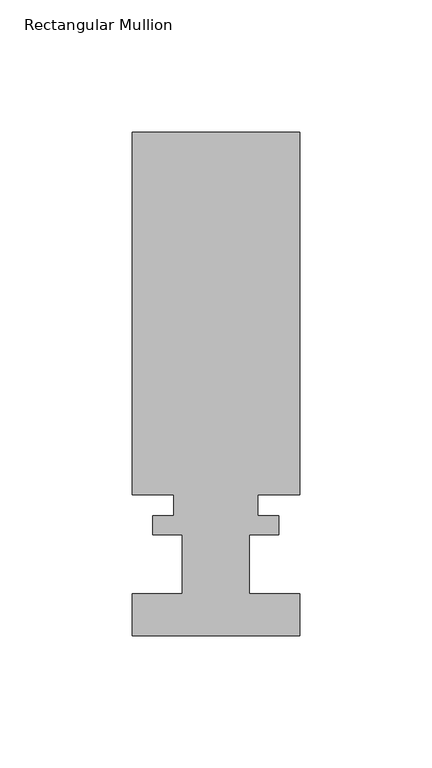
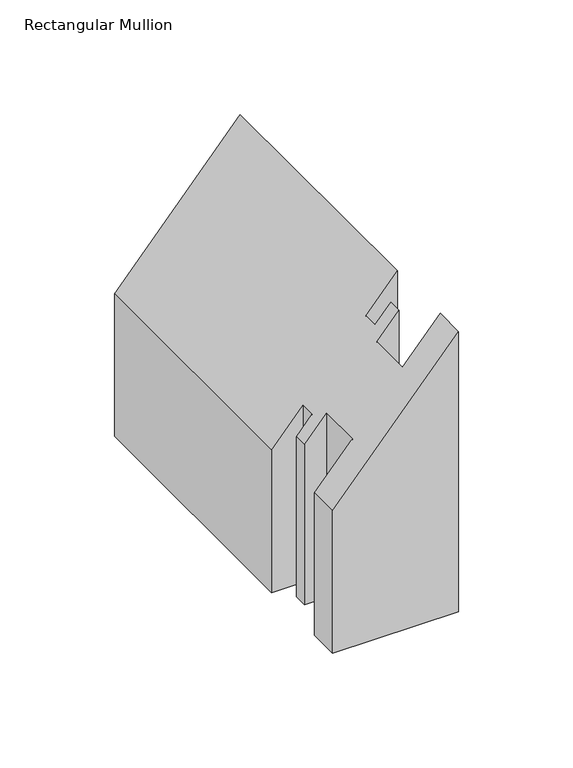
"""IFC4 building model written with IfcOpenShell, lengths in millimetres: member geometry, Rectangular Mullion."""

from ifc_helpers import new_model, si_unit, origin, place, context, project, spatial, faceted_brep, source, transform, mapped, element, save


def rectangular_mullion_4195bb1e(model_context):
    return source(origin(), model_context, "Body", "Brep", [
        faceted_brep([(-31.75, -0.0555625, -282.9163446), (-31.75, 15.8194375, -282.9163446), (-12.7, 15.8194375, -282.9163446), (-12.7, 38.2984375, -282.9163446), (-23.8252, 38.2984375, -282.9163446), (-23.8252, 45.4612375, -282.9163446), (-15.875, 45.4612375, -282.9163446), (-15.875, 53.3606375, -282.9163446), (-31.75, 53.3606375, -282.9163446), (-31.75, 190.6984375, -282.9163446), (31.75, 190.6984375, -282.9163446), (31.75, 53.3606375, -282.9163446), (15.875, 53.3606375, -282.9163446), (15.875, 45.4612375, -282.9163446), (23.8252, 45.4612375, -282.9163446), (23.8252, 38.2984375, -282.9163446), (12.7, 38.2984375, -282.9163446), (12.7, 15.8194375, -282.9163446), (31.75, 15.8194375, -282.9163446), (31.75, -0.0555625, -282.9163446), (31.75, -0.0555625, -133.5284115), (-31.75, -0.0555625, -206.8518957), (31.75, 15.8194375, -133.5284115), (12.7, 15.8194375, -155.5254568), (12.7, 38.2984375, -155.5254568), (23.8252, 38.2984375, -142.6791823), (23.8252, 45.4612375, -142.6791823), (15.875, 45.4612375, -151.8592826), (15.875, 53.3606375, -151.8592826), (31.75, 53.3606375, -133.5284115), (31.75, 190.6984375, -133.5284115), (-31.75, 190.6984375, -206.8518957), (-31.75, 53.3606375, -206.8518957), (-15.875, 53.3606375, -188.5210247), (-15.875, 45.4612375, -188.5210247), (-23.8252, 45.4612375, -197.7011249), (-23.8252, 38.2984375, -197.7011249), (-12.7, 38.2984375, -184.8548505), (-12.7, 15.8194375, -184.8548505), (-31.75, 15.8194375, -206.8518957)], [[[0, 1, 2, 3, 4, 5, 6, 7, 8, 9, 10, 11, 12, 13, 14, 15, 16, 17, 18, 19]], [[20, 21, 0, 19]], [[22, 20, 19, 18]], [[23, 22, 18, 17]], [[24, 23, 17, 16]], [[25, 24, 16, 15]], [[26, 25, 15, 14]], [[27, 26, 14, 13]], [[28, 27, 13, 12]], [[29, 28, 12, 11]], [[30, 29, 11, 10]], [[31, 30, 10, 9]], [[32, 31, 9, 8]], [[33, 32, 8, 7]], [[34, 33, 7, 6]], [[35, 34, 6, 5]], [[36, 35, 5, 4]], [[37, 36, 4, 3]], [[38, 37, 3, 2]], [[39, 38, 2, 1]], [[21, 39, 1, 0]], [[21, 20, 22, 23, 24, 25, 26, 27, 28, 29, 30, 31, 32, 33, 34, 35, 36, 37, 38, 39]]]),
    ])


if __name__ == "__main__":
    model = new_model("IFC4")
    model_context = context("Model", 3, world=origin())
    ifc_project = project(units=[si_unit("LENGTHUNIT", "METRE", prefix="MILLI")], contexts=[model_context])
    site = spatial("IfcSite", under=ifc_project)
    building = spatial("IfcBuilding", under=site)
    placement = place(None, origin())
    rectangular_mullion_shape = rectangular_mullion_4195bb1e(model_context)
    element("IfcMember", 1, ObjectType="Rectangular Mullion", at=placement, inside=building, context=model_context, shape_type="MappedRepresentation", body=[
        mapped(rectangular_mullion_shape, transform((0.0, 0.0, 0.0), x_axis=(1.0, 0.0, 0.0), y_axis=(0.0, 1.0, 0.0), z_axis=(0.0, 0.0, 1.0))),
    ])
    save(model, "model.ifc")
